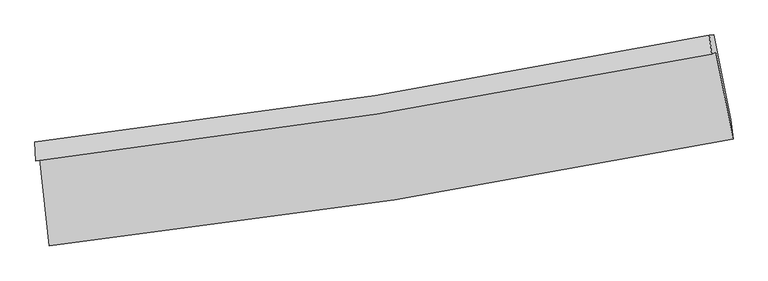
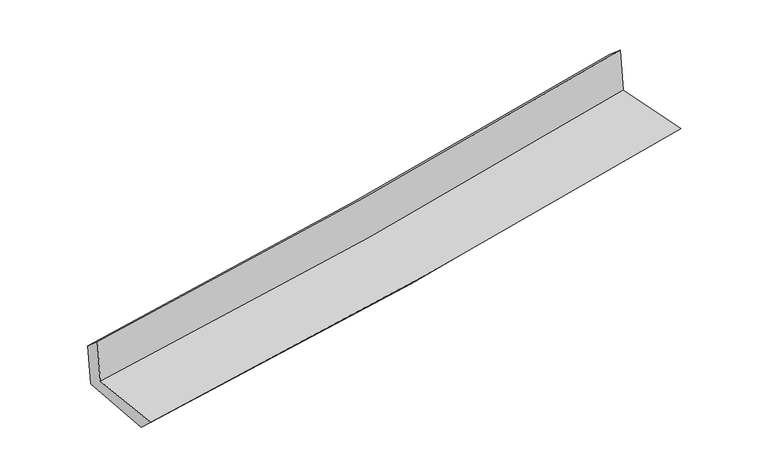
"""IFC4 building model written with IfcOpenShell, lengths in millimetres: proxy geometry."""

from ifc_helpers import new_model, si_unit, frame, origin, place, context, project, spatial, source, transform, mapped, element, save
from ifc_brep_helpers import plane_surface, spline_curve, spline_surface, advanced_brep


def generic_models_39c03b15(model_context):
    return source(origin(), model_context, "Body", "AdvancedBrep", [
        advanced_brep(
        [(-2606.1022322, -1886.578242, 1665.8964124), (-2535.7823844, -2547.452683, 1651.7119589), (2671.1588191, -1734.0791583, 2115.3836563), (2540.4834967, -1070.9090618, 2126.6361632), (-2638.4887092, -1899.5749979, 2055.7603384), (2507.6882896, -1084.0698419, 2521.4203249), (-2643.1249204, -1754.5744958, 1934.1855931), (2490.9752572, -941.41097, 2396.6228556), (-2611.2762146, -1751.7764833, 1562.8530829), (2524.0593021, -938.4517971, 2020.8793899), (-2539.5734583, -2404.9696773, 1523.4139489), (2653.1753034, -1583.0485202, 1986.4962224)],
        [
            (0, 1),
            (1, 2, spline_curve(3, [(-2535.7823844, -2547.452683, 1651.7119589), (-1657.136260027, -2451.402730237, 1737.940035722), (-781.24435072, -2335.054610477, 1819.905386193), (954.335655587, -2063.435868852, 1974.358827144), (1814.09081399, -1908.659480083, 2046.950709013), (2671.1588191, -1734.0791583, 2115.3836563)], [4, 2, 4], [0.0, 8.685597167009186, 17.264801277951307])),
            (2, 3),
            (3, 0, spline_curve(3, [(2540.4834967, -1070.9090618, 2126.6361632), (1693.975992827, -1242.04581202, 2047.727611048), (844.501448959, -1395.278758592, 1970.106976097), (-870.953080937, -1667.615298717, 1816.494917396), (-1737.007113286, -1786.272078819, 1740.535635371), (-2606.1022322, -1886.578242, 1665.8964124)], [4, 2, 4], [0.0, 8.57920411094212, 17.264801277951307])),
            (4, 0),
            (3, 5),
            (5, 4, spline_curve(3, [(2507.6882896, -1084.0698419, 2521.4203249), (1660.565688819, -1255.453431522, 2449.916225777), (810.81534337, -1408.797057919, 2375.615650335), (-904.51141074, -1681.082321401, 2220.465444441), (-1770.153398252, -1799.573747008, 2139.546024511), (-2638.4887092, -1899.5749979, 2055.7603384)], [4, 2, 4], [0.0, 8.530633684857387, 17.167058090646925])),
            (6, 4),
            (5, 7),
            (7, 6, spline_curve(3, [(2490.9752572, -941.41097, 2396.6228556), (1645.784900268, -1112.06270872, 2325.7527615), (798.000666602, -1264.845416376, 2252.036402576), (-913.301325676, -1536.345870415, 2097.961680791), (-1776.883817837, -1654.617671362, 2017.53228549), (-2643.1249204, -1754.5744958, 1934.1855931)], [4, 2, 4], [0.0, 8.520466714109421, 17.146598065766703])),
            (8, 6),
            (7, 9),
            (9, 8, spline_curve(3, [(2524.0593021, -938.4517971, 2020.8793899), (1679.382645338, -1109.073168035, 1942.46636669), (831.755164378, -1261.85386321, 1865.31836482), (-879.949699115, -1533.407329867, 1712.611358994), (-1744.100724118, -1651.734863517, 1637.08392502), (-2611.2762146, -1751.7764833, 1562.8530829)], [4, 2, 4], [0.0, 8.510879633851793, 17.127305013247693])),
            (10, 8),
            (9, 11),
            (11, 10, spline_curve(3, [(2653.1753034, -1583.0485202, 1986.4962224), (1800.064291948, -1762.064675665, 1906.864580741), (943.467994604, -1919.77619961, 1828.687361101), (-787.361279301, -2194.281604366, 1674.290306312), (-1661.681235787, -2310.543799279, 1598.106767915), (-2539.5734583, -2404.9696773, 1523.4139489)], [4, 2, 4], [0.0, 8.5595536024418, 17.225256569621543])),
            (1, 10),
            (11, 2),
        ],
        [
            spline_surface(3, 3, [[(-2606.1022322, -1886.578242, 1665.8964124), (-1737.00711318, -1786.272078768, 1740.535635491), (-870.953080906, -1667.615298712, 1816.494917429), (844.501448928, -1395.278758597, 1970.106976065), (1693.975992963, -1242.045811925, 2047.727611048), (2540.4834967, -1070.9090618, 2126.6361632)], [(-2582.662282948, -2106.86972231, 1661.168261236), (-1710.383495506, -2007.982295871, 1739.670435593), (-841.050170834, -1890.095069346, 1817.631740413), (881.112851165, -1617.997795314, 1971.524259727), (1734.014266648, -1464.250367951, 2047.468643665), (2584.041937492, -1291.965760634, 2122.885327545)], [(-2559.222333652, -2327.16120269, 1656.440110064), (-1683.759877788, -2229.692513042, 1738.805235687), (-811.147260802, -2112.574839965, 1818.76856335), (917.724253361, -1840.716832015, 1972.941543343), (1774.052540357, -1686.454923977, 2047.209676346), (2627.600378308, -1513.022459466, 2119.134491955)], [(-2535.7823844, -2547.452683, 1651.7119589), (-1657.136260115, -2451.402730144, 1737.940035789), (-781.24435073, -2335.054610599, 1819.905386334), (954.335655598, -2063.435868732, 1974.358827005), (1814.090814042, -1908.659480003, 2046.950708962), (2671.1588191, -1734.0791583, 2115.3836563)]], [4, 4], [4, 2, 4], [0.0, 2.2152169344759436], [0.0, 8.685597167009186, 17.264801277951307]),
            spline_surface(3, 3, [[(-2638.4887092, -1899.5749979, 2055.7603384), (-1770.153398151, -1799.573747077, 2139.546024641), (-904.511410714, -1681.082321385, 2220.465444535), (810.815343345, -1408.797057935, 2375.615650241), (1660.565688818, -1255.45343166, 2449.916225808), (2507.6882896, -1084.0698419, 2521.4203249)], [(-2627.693216857, -1895.242745931, 1925.805696405), (-1759.104636484, -1795.139857639, 2006.542561596), (-893.325300787, -1676.593313824, 2085.80860215), (822.044045197, -1404.290958152, 2240.446092166), (1671.702456859, -1250.984225093, 2315.853354213), (2518.620025293, -1079.682915211, 2389.825604325)], [(-2616.897724543, -1890.910493969, 1795.851054395), (-1748.055874847, -1790.705968207, 1873.539098536), (-882.139190833, -1672.104306273, 1951.151759814), (833.272747076, -1399.78485838, 2105.27653414), (1682.839224922, -1246.515018492, 2181.790482643), (2529.551761007, -1075.295988489, 2258.230883775)], [(-2606.1022322, -1886.578242, 1665.8964124), (-1737.00711318, -1786.272078768, 1740.535635491), (-870.953080906, -1667.615298712, 1816.494917429), (844.501448928, -1395.278758597, 1970.106976065), (1693.975992963, -1242.045811925, 2047.727611048), (2540.4834967, -1070.9090618, 2126.6361632)]], [4, 4], [4, 2, 4], [0.0, 1.333162059830164], [0.0, 8.636424405789539, 17.167058090646925]),
            spline_surface(3, 3, [[(-2643.1249204, -1754.5744958, 1934.1855931), (-1776.883817778, -1654.617671486, 2017.532285554), (-913.301325636, -1536.345870505, 2097.961680776), (798.000666563, -1264.845416287, 2252.03640259), (1645.784900292, -1112.062708726, 2325.752761539), (2490.9752572, -941.41097, 2396.6228556)], [(-2641.579516656, -1802.907996498, 1974.710508181), (-1774.640344559, -1702.936363347, 2058.203531897), (-910.371353999, -1584.591354152, 2138.796268707), (802.272225487, -1312.829296856, 2293.229485152), (1650.711829824, -1159.859616381, 2367.140582964), (2496.546268024, -988.963927311, 2438.222012035)], [(-2640.034112944, -1851.241497202, 2015.235423319), (-1772.39687137, -1751.255055216, 2098.874778298), (-907.441382351, -1632.836837739, 2179.630856604), (806.543784422, -1360.813177366, 2334.42256768), (1655.638759285, -1207.656524004, 2408.528404383), (2502.117278776, -1036.516884589, 2479.821168465)], [(-2638.4887092, -1899.5749979, 2055.7603384), (-1770.153398151, -1799.573747077, 2139.546024641), (-904.511410714, -1681.082321385, 2220.465444535), (810.815343345, -1408.797057935, 2375.615650241), (1660.565688818, -1255.45343166, 2449.916225808), (2507.6882896, -1084.0698419, 2521.4203249)]], [4, 4], [4, 2, 4], [0.0, 0.6232760958067372], [0.0, 8.626131351657282, 17.146598065766703]),
            spline_surface(3, 3, [[(-2611.2762146, -1751.7764833, 1562.8530829), (-1744.100724079, -1651.73486352, 1637.08392496), (-879.949699259, -1533.407329867, 1712.611358924), (831.75516452, -1261.853863211, 1865.318364889), (1679.382645317, -1109.073168087, 1942.466366607), (2524.0593021, -938.4517971, 2020.8793899)], [(-2621.892449896, -1752.709154161, 1686.630586307), (-1755.028422008, -1652.695799537, 1763.900045165), (-891.066908025, -1534.386843388, 1841.061466219), (820.503665227, -1262.851047544, 1994.224377467), (1668.183396969, -1110.06968161, 2070.228498263), (2513.031287128, -939.438188043, 2146.127211812)], [(-2632.508685104, -1753.641824939, 1810.408089693), (-1765.956119849, -1653.65673547, 1890.716165349), (-902.18411687, -1535.366356984, 1969.511573481), (809.252165856, -1263.848231953, 2123.130390012), (1656.984148639, -1111.066195203, 2197.990629883), (2502.003272172, -940.424579057, 2271.375033688)], [(-2643.1249204, -1754.5744958, 1934.1855931), (-1776.883817778, -1654.617671486, 2017.532285554), (-913.301325636, -1536.345870505, 2097.961680776), (798.000666563, -1264.845416287, 2252.03640259), (1645.784900292, -1112.062708726, 2325.752761539), (2490.9752572, -941.41097, 2396.6228556)]], [4, 4], [4, 2, 4], [0.0, 1.2712987583438995], [0.0, 8.6164253793959, 17.127305013247693]),
            spline_surface(3, 3, [[(-2539.5734583, -2404.9696773, 1523.4139489), (-1661.681235791, -2310.543799225, 1598.106767961), (-787.361279309, -2194.281604315, 1674.290306254), (943.467994612, -1919.776199661, 1828.687361159), (1800.06429203, -1762.064675598, 1906.864580663), (2653.1753034, -1583.0485202, 1986.4962224)], [(-2563.474377062, -2187.238612603, 1536.560326924), (-1689.154398549, -2090.940820627, 1611.099153652), (-818.224085974, -1973.990179524, 1687.063990466), (906.230384566, -1700.468754203, 1840.897695725), (1759.837076438, -1544.400839783, 1918.731842644), (2610.136636279, -1368.182945855, 1997.957278233)], [(-2587.375295838, -1969.507547997, 1549.706704876), (-1716.627561321, -1871.337842119, 1624.091539269), (-849.086892594, -1753.698754657, 1699.837674711), (868.992774565, -1481.161308669, 1853.108030323), (1719.609860909, -1326.737003902, 1930.599104627), (2567.097969221, -1153.317371445, 2009.418334067)], [(-2611.2762146, -1751.7764833, 1562.8530829), (-1744.100724079, -1651.73486352, 1637.08392496), (-879.949699259, -1533.407329867, 1712.611358924), (831.75516452, -1261.853863211, 1865.318364889), (1679.382645317, -1109.073168087, 1942.466366607), (2524.0593021, -938.4517971, 2020.8793899)]], [4, 4], [4, 2, 4], [0.0, 2.19263587788292], [0.0, 8.665702967179742, 17.225256569621543]),
            spline_surface(3, 3, [[(-2535.7823844, -2547.452683, 1651.7119589), (-1657.136260115, -2451.402730144, 1737.940035789), (-781.24435073, -2335.054610599, 1819.905386334), (954.335655598, -2063.435868732, 1974.358827005), (1814.090814042, -1908.659480003, 2046.950708962), (2671.1588191, -1734.0791583, 2115.3836563)], [(-2537.04607568, -2499.958347796, 1608.945955547), (-1658.651251987, -2404.449753201, 1691.328946493), (-783.283326935, -2288.130275149, 1771.367026297), (950.713101924, -2015.549312354, 1925.801671713), (1809.415306722, -1859.79454518, 2000.255332879), (2665.164313884, -1683.735612246, 2072.421178349)], [(-2538.30976702, -2452.464012504, 1566.179952253), (-1660.166243919, -2357.496776168, 1644.717857256), (-785.322303104, -2241.205939764, 1722.828666291), (947.090548286, -1967.662756039, 1877.244516451), (1804.73979935, -1810.92961042, 1953.559956747), (2659.169808616, -1633.392066254, 2029.458700351)], [(-2539.5734583, -2404.9696773, 1523.4139489), (-1661.681235791, -2310.543799225, 1598.106767961), (-787.361279309, -2194.281604315, 1674.290306254), (943.467994612, -1919.776199661, 1828.687361159), (1800.06429203, -1762.064675598, 1906.864580663), (2653.1753034, -1583.0485202, 1986.4962224)]], [4, 4], [4, 2, 4], [0.0, 0.668388288819829], [0.0, 8.724508882174888, 17.342148064453426]),
            plane_surface(frame((2564.590078, -1225.3282249, 2194.5731021), z_axis=(0.9776442509226763, 0.19115519480331125, 0.08758658651613052), x_axis=(-0.08770751578480186, -0.007844920363626332, 0.9961153793107238))),
            plane_surface(frame((-2595.7246532, -2040.8210966, 1732.3035558), z_axis=(-0.990914347851709, -0.10359659974341692, -0.08577003989287126), x_axis=(-0.10578287770857986, 0.9941602889815044, 0.02133782078618314))),
        ],
        [
            (0, [[1, 2, 3, 4]]),
            (1, [[5, -4, 6, 7]]),
            (2, [[8, -7, 9, 10]]),
            (3, [[11, -10, 12, 13]]),
            (4, [[14, -13, 15, 16]]),
            (5, [[17, -16, 18, -2]]),
            (6, [[-12, -9, -6, -3, -18, -15]]),
            (7, [[-1, -5, -8, -11, -14, -17]]),
        ],
    ),
    ])


if __name__ == "__main__":
    model = new_model("IFC4")
    model_context = context("Model", 3, world=origin())
    ifc_project = project(units=[si_unit("LENGTHUNIT", "METRE", prefix="MILLI")], contexts=[model_context])
    site = spatial("IfcSite", under=ifc_project)
    building = spatial("IfcBuilding", under=site)
    placement = place(None, origin())
    generic_models_shape = generic_models_39c03b15(model_context)
    element("IfcBuildingElementProxy", 1, Name="Generic Models", at=placement, inside=building, context=model_context, shape_type="MappedRepresentation", body=[
        mapped(generic_models_shape, transform((0.0, 0.0, 0.0), x_axis=(1.0, 0.0, 0.0), y_axis=(0.0, 1.0, 0.0), z_axis=(0.0, 0.0, 1.0))),
    ])
    save(model, "model.ifc")
